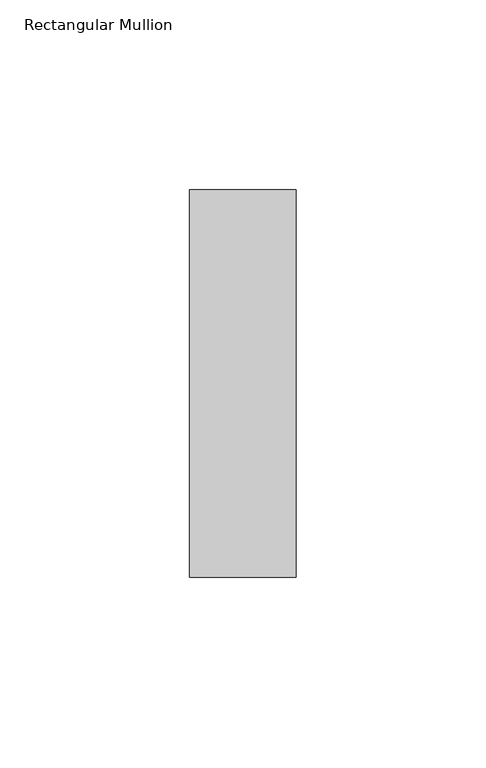
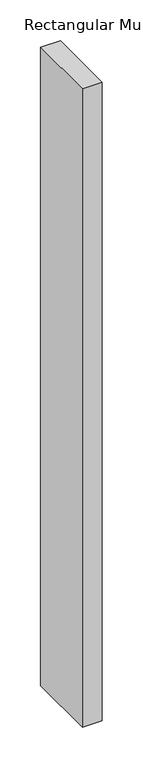
"""IFC4 building model written with IfcOpenShell, lengths in millimetres: member geometry, Rectangular Mullion."""

from ifc_helpers import new_model, si_unit, frame, origin, place, context, project, spatial, polyline, outline, extrude, source, transform, mapped, element, save


def rectangular_mullion_75849e0d(model_context):
    return source(origin(), model_context, "Body", "SweptSolid", [
        extrude(outline(polyline([(0.0, -51.0), (-28.0, -51.0), (-28.0, 51.0), (0.0, 51.0), (0.0, -51.0)])), frame((0.0, 0.0, -954.0), z_axis=(0.0, 0.0, 1.0), x_axis=(1.0, 0.0, 0.0)), (0.0, 0.0, 1.0), 954.0),
    ])


if __name__ == "__main__":
    model = new_model("IFC4")
    model_context = context("Model", 3, world=origin())
    ifc_project = project(units=[si_unit("LENGTHUNIT", "METRE", prefix="MILLI")], contexts=[model_context])
    site = spatial("IfcSite", under=ifc_project)
    building = spatial("IfcBuilding", under=site)
    placement = place(None, origin())
    rectangular_mullion_shape = rectangular_mullion_75849e0d(model_context)
    element("IfcMember", 1, ObjectType="Rectangular Mullion", at=placement, inside=building, context=model_context, shape_type="MappedRepresentation", body=[
        mapped(rectangular_mullion_shape, transform((0.0, 0.0, 0.0), x_axis=(1.0, 0.0, 0.0), y_axis=(0.0, 1.0, 0.0), z_axis=(0.0, 0.0, 1.0))),
    ])
    save(model, "model.ifc")
